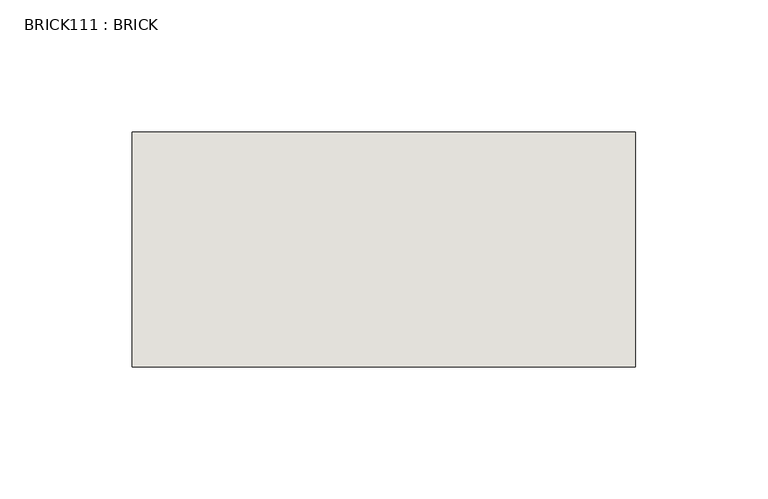
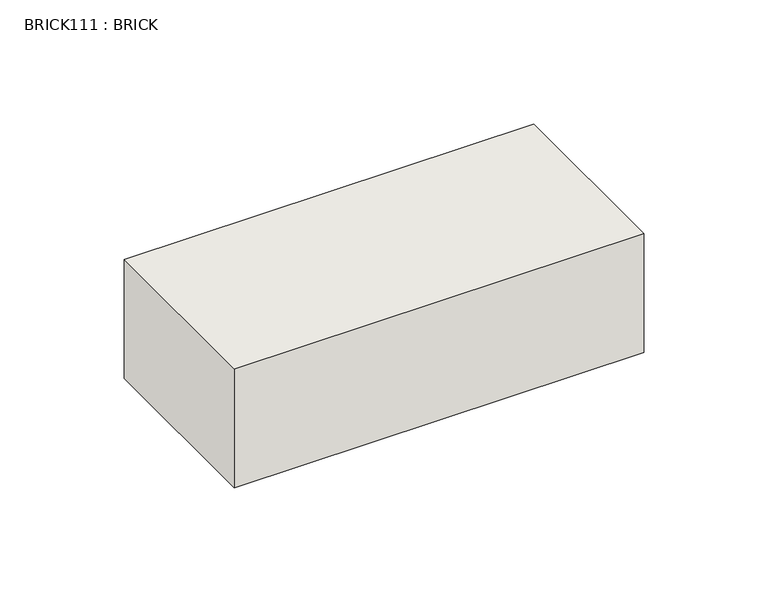
"""IFC4 building model written with IfcOpenShell, lengths in millimetres: wall geometry, BRICK111 : BRICK."""

import ifcopenshell
import ifcopenshell.guid

model = None  # the IFC model being written
_history = None  # IfcOwnerHistory: only IFC2X3 demands one
_inside = {}  # id of a spatial element -> (the spatial element, [elements in it])
_under = {}  # id of a project, library or spatial element -> (it, [spatial elements below it])
_declared = {}  # id of a project -> (the project, [libraries it declares])
_typed = {}  # id of a type object -> (the type object, [elements of that type])
_made_of = {}  # id of a material, layer set ... -> (it, [elements and type objects made of it])


def new_model(schema):
    """Start an empty IFC model of exactly this schema.

    Asked for "IFC4X3", IfcOpenShell would pick the latest addendum, in which some entities
    have other attributes; the version numbers below select the first issue.
    IFC2X3 requires an IfcOwnerHistory on every rooted entity: one is made here for all.
    """
    global model, _history
    if schema == "IFC4X3":
        model = ifcopenshell.file(schema_version=(4, 3, 0, 0))
    else:
        model = ifcopenshell.file(schema=schema)
    _inside.clear()
    _under.clear()
    _declared.clear()
    _typed.clear()
    _made_of.clear()
    _history = None
    if model.schema == "IFC2X3":
        org = make("IfcOrganization", Name="unknown")
        user = make(
            "IfcPersonAndOrganization",
            ThePerson=make("IfcPerson", FamilyName="unknown"),
            TheOrganization=org,
        )
        app = make(
            "IfcApplication",
            ApplicationDeveloper=org,
            Version="unknown",
            ApplicationFullName="unknown",
            ApplicationIdentifier="unknown",
        )
        _history = make(
            "IfcOwnerHistory",
            OwningUser=user,
            OwningApplication=app,
            ChangeAction="ADDED",
            CreationDate=0,
        )
    return model


def make(cls, **values):
    """One entity of the class cls with the attributes given. An attribute that is None is left unset."""
    return model.create_entity(
        cls, **{name: value for name, value in values.items() if value is not None}
    )


def rooted(cls, **values):
    """An entity with a GlobalId (a new one), such as an element, a storey or a relation."""
    return make(cls, GlobalId=ifcopenshell.guid.new(), OwnerHistory=_history, **values)


def si_unit(unit_type, name, prefix=None):
    """IfcSIUnit, for example si_unit("LENGTHUNIT", "METRE", prefix="MILLI")."""
    return make("IfcSIUnit", UnitType=unit_type, Prefix=prefix, Name=name)


def assignment(units):
    """IfcUnitAssignment: the units of a project."""
    return None if units is None else make("IfcUnitAssignment", Units=units)


def point(xyz):
    """IfcCartesianPoint."""
    return None if xyz is None else make("IfcCartesianPoint", Coordinates=xyz)


def direction(xyz):
    """IfcDirection."""
    return None if xyz is None else make("IfcDirection", DirectionRatios=xyz)


def frame(location, z_axis=None, x_axis=None):
    """IfcAxis2Placement3D, a coordinate frame: its origin and axes. An axis left out is left unset."""
    return make(
        "IfcAxis2Placement3D",
        Location=point(location),
        Axis=direction(z_axis),
        RefDirection=direction(x_axis),
    )


def origin():
    """The frame at (0, 0, 0) with its axes left unset."""
    return frame((0.0, 0.0, 0.0))


def place(relative_to, where):
    """IfcLocalPlacement: puts the frame where relative to a parent placement (None: the world)."""
    return make(
        "IfcLocalPlacement", PlacementRelTo=relative_to, RelativePlacement=where
    )


def context(
    kind, dimensions, precision=None, world=None, true_north=None, identifier=None
):
    """IfcGeometricRepresentationContext, for example the 3D "Model" context."""
    return make(
        "IfcGeometricRepresentationContext",
        ContextIdentifier=identifier,
        ContextType=kind,
        CoordinateSpaceDimension=dimensions,
        Precision=precision,
        WorldCoordinateSystem=world,
        TrueNorth=true_north,
    )


def project(units=None, contexts=None):
    """IfcProject with its units and contexts."""
    return rooted(
        "IfcProject",
        Name="project",
        RepresentationContexts=contexts,
        UnitsInContext=assignment(units),
    )


def spatial(cls, under=None, at=None, **own):
    """A site, building, storey or space (cls), placed at a placement, below another one or the project."""
    s = rooted(cls, ObjectPlacement=at, **own)
    if under is not None:
        _under.setdefault(under.id(), (under, []))[1].append(s)
    return s


def polyline(points):
    """IfcPolyline through the points."""
    return make("IfcPolyline", Points=[point(p) for p in points])


def outline(outer, holes=None, kind="AREA"):
    """IfcArbitraryClosedProfileDef: a profile drawn as a closed curve; with holes, ...WithVoids."""
    if holes is None:
        return make("IfcArbitraryClosedProfileDef", ProfileType=kind, OuterCurve=outer)
    return make(
        "IfcArbitraryProfileDefWithVoids",
        ProfileType=kind,
        OuterCurve=outer,
        InnerCurves=holes,
    )


def extrude(swept, where, along, depth):
    """IfcExtrudedAreaSolid: the profile swept, set in the frame where, extruded along a direction by depth."""
    return make(
        "IfcExtrudedAreaSolid",
        SweptArea=swept,
        Position=where,
        ExtrudedDirection=direction(along),
        Depth=depth,
    )


def shape(context_of_items, identifier, shape_type, items):
    """IfcShapeRepresentation: the items that make up one representation, for example the "Body"."""
    return make(
        "IfcShapeRepresentation",
        ContextOfItems=context_of_items,
        RepresentationIdentifier=identifier,
        RepresentationType=shape_type,
        Items=items,
    )


def source(mapping_origin, context_of_items, identifier, shape_type, items):
    """IfcRepresentationMap: a shape defined once, which mapped items show again and again."""
    return make(
        "IfcRepresentationMap",
        MappingOrigin=mapping_origin,
        MappedRepresentation=shape(context_of_items, identifier, shape_type, items),
    )


def transform(
    local_origin,
    x_axis=None,
    y_axis=None,
    z_axis=None,
    scale=None,
    scale2=None,
    scale3=None,
    uniform=True,
):
    """IfcCartesianTransformationOperator3D, or its non-uniform kind. x_axis, y_axis, z_axis: its Axis1, 2, 3."""
    if uniform:
        return make(
            "IfcCartesianTransformationOperator3D",
            Axis1=direction(x_axis),
            Axis2=direction(y_axis),
            LocalOrigin=point(local_origin),
            Scale=scale,
            Axis3=direction(z_axis),
        )
    return make(
        "IfcCartesianTransformationOperator3DnonUniform",
        Axis1=direction(x_axis),
        Axis2=direction(y_axis),
        LocalOrigin=point(local_origin),
        Scale=scale,
        Axis3=direction(z_axis),
        Scale2=scale2,
        Scale3=scale3,
    )


def mapped(mapping_source, mapping_target):
    """IfcMappedItem: shows the shape of a source again, moved by a transform."""
    return make(
        "IfcMappedItem", MappingSource=mapping_source, MappingTarget=mapping_target
    )


def made_of(thing, what):
    """Note that an element or type object is made of a material, layer set ...; save() writes the relation."""
    if what is not None:
        _made_of.setdefault(what.id(), (what, []))[1].append(thing)
    return thing


def element(
    cls,
    number,
    at=None,
    inside=None,
    cuts=None,
    type_object=None,
    material=None,
    context=None,
    identifier="Body",
    shape_type=None,
    held_by="IfcProductDefinitionShape",
    body=None,
    shapes=None,
    **own,
):
    """One element of the class cls, such as IfcWall. Its Tag is "e" and its number.

    at: its placement. inside: the storey or other place that contains it. cuts: it is an
    opening in that element (IfcRelVoidsElement). A single representation is given by context,
    identifier, shape_type and body (its items); several are given by shapes. held_by: the class
    of the entity that holds the representations. save() writes the other relations.
    """
    e = rooted(cls, Tag="e%d" % number, ObjectPlacement=at, **own)
    if body is not None:
        shapes = [shape(context, identifier, shape_type, body)]
    if shapes is not None:
        e.Representation = make(held_by, Representations=shapes)
    if inside is not None:
        _inside.setdefault(inside.id(), (inside, []))[1].append(e)
    if cuts is not None:
        rooted(
            "IfcRelVoidsElement", RelatingBuildingElement=cuts, RelatedOpeningElement=e
        )
    if type_object is not None:
        _typed.setdefault(type_object.id(), (type_object, []))[1].append(e)
    return made_of(e, material)


def aggregate(whole, parts):
    """IfcRelAggregates: a whole, such as a stair, and the parts it consists of."""
    return rooted("IfcRelAggregates", RelatingObject=whole, RelatedObjects=parts)


def save(model, path):
    """Write the relations noted so far, then the file.

    IfcRelAggregates (storeys below a building ...), IfcRelContainedInSpatialStructure (elements
    in a storey), IfcRelDefinesByType, IfcRelAssociatesMaterial and IfcRelDeclares: one each for
    every whole, place, type object, material and project.
    """
    for whole, parts in _under.values():
        aggregate(whole, parts)
    for where, things in _inside.values():
        rooted(
            "IfcRelContainedInSpatialStructure",
            RelatedElements=things,
            RelatingStructure=where,
        )
    for kind, things in _typed.values():
        rooted("IfcRelDefinesByType", RelatedObjects=things, RelatingType=kind)
    for what, things in _made_of.values():
        rooted("IfcRelAssociatesMaterial", RelatedObjects=things, RelatingMaterial=what)
    for by, libraries in _declared.values():
        rooted("IfcRelDeclares", RelatingContext=by, RelatedDefinitions=libraries)
    model.write(path)


def brick111_brick_0f08b408(model_context):
    return source(origin(), model_context, "Body", "SweptSolid", [
        extrude(outline(polyline([(834.8530711, 2586.2274125), (1025.3530711, 2586.2274125), (1025.3530711, 2497.3274125), (834.8530711, 2497.3274125), (834.8530711, 2586.2274125)])), frame((0.0, 0.0, 353.7148438), z_axis=(0.0, 0.0, 1.0), x_axis=(1.0, 0.0, 0.0)), (0.0, 0.0, 1.0), 58.4398437),
    ])


if __name__ == "__main__":
    model = new_model("IFC4")
    model_context = context("Model", 3, world=origin())
    ifc_project = project(units=[si_unit("LENGTHUNIT", "METRE", prefix="MILLI")], contexts=[model_context])
    site = spatial("IfcSite", under=ifc_project)
    building = spatial("IfcBuilding", under=site)
    placement = place(None, origin())
    brick111_brick_shape = brick111_brick_0f08b408(model_context)
    element("IfcWall", 1, ObjectType="BRICK111 : BRICK", at=placement, inside=building, context=model_context, shape_type="MappedRepresentation", body=[
        mapped(brick111_brick_shape, transform((0.0, 0.0, 0.0), x_axis=(1.0, 0.0, 0.0), y_axis=(0.0, 1.0, 0.0), z_axis=(0.0, 0.0, 1.0))),
    ])
    save(model, "model.ifc")
